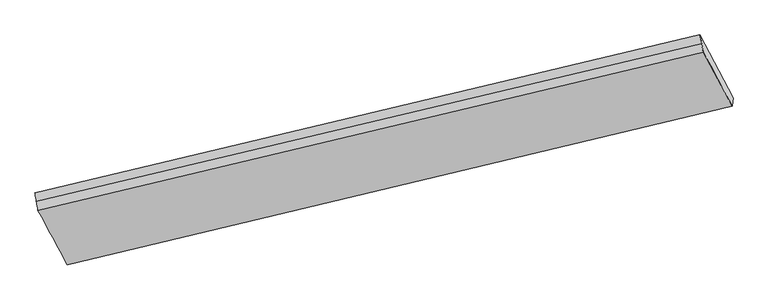
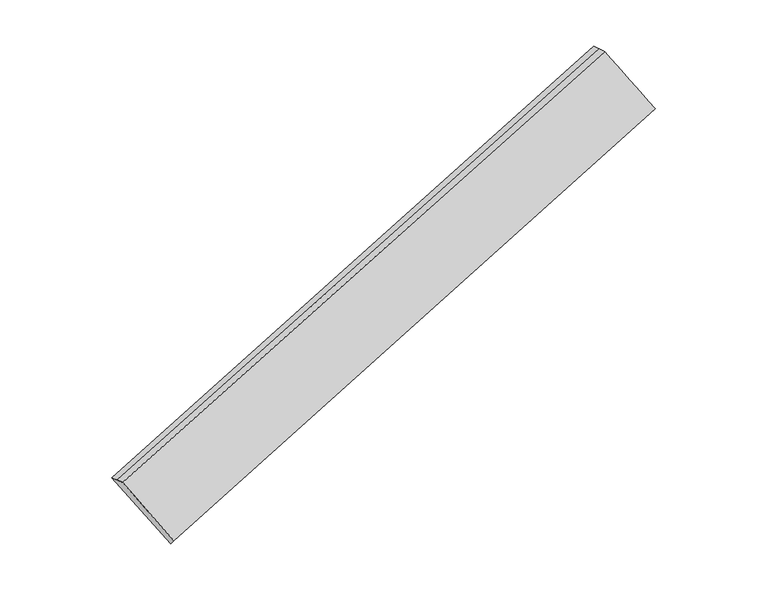
"""IFC4 building model written with IfcOpenShell, lengths in millimetres: proxy geometry."""

from ifc_helpers import new_model, si_unit, frame, origin, place, context, project, spatial, source, transform, mapped, element, save
from ifc_brep_helpers import plane_surface, spline_surface, advanced_brep


def generic_models_508af205(model_context):
    return source(origin(), model_context, "Body", "AdvancedBrep", [
        advanced_brep(
        [(-8450.074924, -2548.6659152, 555.3068061), (-7970.1179226, -3441.9096071, -269.2116247), (2843.4776881, -854.283055, 3230.8778947), (2372.6724184, 26.7181173, 4036.1456193), (-8474.6106048, -2409.7488802, 528.7491464), (2346.0625723, 166.8727866, 4015.0834285), (-8499.1462856, -2270.8318452, 502.1914866), (2319.4527263, 307.0274559, 3994.0212378), (-7955.7429519, -3309.9214593, -410.8636474), (2857.8346487, -722.4602731, 3089.4033457), (-7962.9304373, -3375.9155332, -340.0376361), (2850.6561684, -788.371664, 3160.1406202)],
        [
            (0, 1),
            (1, 2),
            (2, 3),
            (3, 0),
            (4, 0),
            (3, 5),
            (5, 4),
            (6, 4),
            (5, 7),
            (7, 6),
            (8, 6),
            (7, 9),
            (9, 8),
            (10, 8),
            (9, 11),
            (11, 10),
            (1, 10),
            (11, 2),
        ],
        [
            spline_surface(1, 1, [[(-8450.074924, -2548.6659152, 555.3068061), (2372.6724184, 26.7181173, 4036.1456193)], [(-7970.1179226, -3441.9096071, -269.2116247), (2843.4776881, -854.283055, 3230.8778947)]], [2, 2], [2, 2], [0.0, 1.0], [0.0, 1.0]),
            spline_surface(1, 1, [[(-8474.6106048, -2409.7488802, 528.7491464), (2346.0625723, 166.8727866, 4015.0834285)], [(-8450.074924, -2548.6659152, 555.3068061), (2372.6724184, 26.7181173, 4036.1456193)]], [2, 2], [2, 2], [0.0, 1.0], [0.0, 1.0]),
            spline_surface(1, 1, [[(-8499.1462856, -2270.8318452, 502.1914866), (2319.4527263, 307.0274559, 3994.0212378)], [(-8474.6106048, -2409.7488802, 528.7491464), (2346.0625723, 166.8727866, 4015.0834285)]], [2, 2], [2, 2], [0.0, 1.0], [0.0, 1.0]),
            plane_surface(frame((-8227.4446187, -2790.3766522, 45.6639196), z_axis=(0.07357489744708792, 0.679726933496189, -0.7297657366206761), x_axis=(-0.3656431684471827, 0.6991786675641081, 0.6143730659714696))),
            plane_surface(frame((-7959.3366946, -3342.9184962, -375.4506417), z_axis=(0.36609335934722875, -0.6990712007292897, -0.6142272450427205), x_axis=(0.07404193033770272, 0.6798384085833454, -0.7296146453894213))),
            plane_surface(frame((-7966.52418, -3408.9125701, -304.6246304), z_axis=(0.36609335934722903, -0.6990712007292874, -0.614227245042723), x_axis=(0.07404193033770301, 0.6798384085833482, -0.7296146453894188))),
            plane_surface(frame((2598.3593704, -310.7494387, 3587.6120244), z_axis=(0.9278054030452139, 0.22128924293422625, 0.3003468079432601), x_axis=(-0.3656431684471827, 0.6991786675641081, 0.6143730659714696))),
            plane_surface(frame((-8218.770521, -2892.8322067, 94.3557552), z_axis=(-0.9278054030452505, -0.22128924293417362, -0.3003468079431857), x_axis=(-0.3672392008901867, 0.6834655993308841, 0.6308804513224454))),
        ],
        [
            (0, [[1, 2, 3, 4]]),
            (1, [[5, -4, 6, 7]]),
            (2, [[8, -7, 9, 10]]),
            (3, [[11, -10, 12, 13]]),
            (4, [[14, -13, 15, 16]]),
            (5, [[17, -16, 18, -2]]),
            (6, [[-12, -9, -6, -3, -18, -15]]),
            (7, [[-1, -5, -8, -11, -14, -17]]),
        ],
    ),
    ])


if __name__ == "__main__":
    model = new_model("IFC4")
    model_context = context("Model", 3, world=origin())
    ifc_project = project(units=[si_unit("LENGTHUNIT", "METRE", prefix="MILLI")], contexts=[model_context])
    site = spatial("IfcSite", under=ifc_project)
    building = spatial("IfcBuilding", under=site)
    placement = place(None, origin())
    generic_models_shape = generic_models_508af205(model_context)
    element("IfcBuildingElementProxy", 1, Name="Generic Models", at=placement, inside=building, context=model_context, shape_type="MappedRepresentation", body=[
        mapped(generic_models_shape, transform((0.0, 0.0, 0.0), x_axis=(1.0, 0.0, 0.0), y_axis=(0.0, 1.0, 0.0), z_axis=(0.0, 0.0, 1.0))),
    ])
    save(model, "model.ifc")
